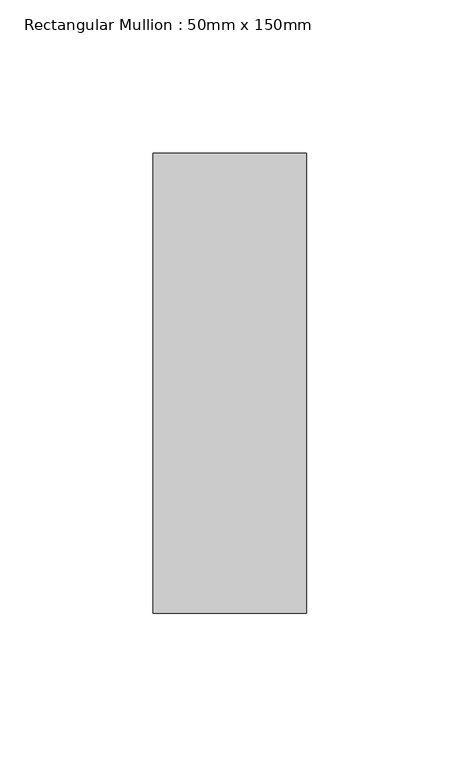
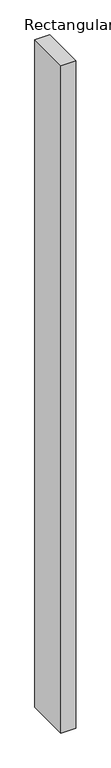
"""IFC4 building model written with IfcOpenShell, lengths in millimetres: member geometry, Rectangular Mullion : 50mm x 150mm."""

from ifc_helpers import new_model, si_unit, frame, origin, place, context, project, spatial, polyline, outline, extrude, source, transform, mapped, element, save


def rectangular_mullion_50mm_x_150mm_8b0a0560(model_context):
    return source(origin(), model_context, "Body", "SweptSolid", [
        extrude(outline(polyline([(0.0, 75.0), (0.0, -75.0), (-50.0, -75.0), (-50.0, 75.0), (0.0, 75.0)])), frame((0.0, 0.0, -2350.0), z_axis=(0.0, 0.0, 1.0), x_axis=(1.0, 0.0, 0.0)), (0.0, 0.0, 1.0), 2350.0),
    ])


if __name__ == "__main__":
    model = new_model("IFC4")
    model_context = context("Model", 3, world=origin())
    ifc_project = project(units=[si_unit("LENGTHUNIT", "METRE", prefix="MILLI")], contexts=[model_context])
    site = spatial("IfcSite", under=ifc_project)
    building = spatial("IfcBuilding", under=site)
    placement = place(None, origin())
    rectangular_mullion_50mm_x_150mm_shape = rectangular_mullion_50mm_x_150mm_8b0a0560(model_context)
    element("IfcMember", 1, ObjectType="Rectangular Mullion : 50mm x 150mm", at=placement, inside=building, context=model_context, shape_type="MappedRepresentation", body=[
        mapped(rectangular_mullion_50mm_x_150mm_shape, transform((0.0, 0.0, 0.0), x_axis=(1.0, 0.0, 0.0), y_axis=(0.0, 1.0, 0.0), z_axis=(0.0, 0.0, 1.0))),
    ])
    save(model, "model.ifc")
